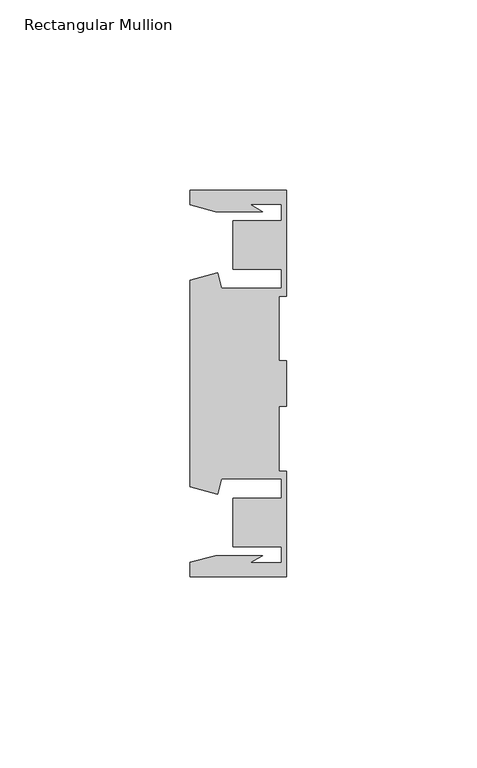
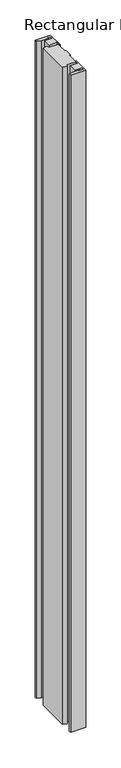
"""IFC4 building model written with IfcOpenShell, lengths in millimetres: member geometry, Rectangular Mullion."""

import ifcopenshell
import ifcopenshell.guid

model = None  # the IFC model being written
_history = None  # IfcOwnerHistory: only IFC2X3 demands one
_inside = {}  # id of a spatial element -> (the spatial element, [elements in it])
_under = {}  # id of a project, library or spatial element -> (it, [spatial elements below it])
_declared = {}  # id of a project -> (the project, [libraries it declares])
_typed = {}  # id of a type object -> (the type object, [elements of that type])
_made_of = {}  # id of a material, layer set ... -> (it, [elements and type objects made of it])


def new_model(schema):
    """Start an empty IFC model of exactly this schema.

    Asked for "IFC4X3", IfcOpenShell would pick the latest addendum, in which some entities
    have other attributes; the version numbers below select the first issue.
    IFC2X3 requires an IfcOwnerHistory on every rooted entity: one is made here for all.
    """
    global model, _history
    if schema == "IFC4X3":
        model = ifcopenshell.file(schema_version=(4, 3, 0, 0))
    else:
        model = ifcopenshell.file(schema=schema)
    _inside.clear()
    _under.clear()
    _declared.clear()
    _typed.clear()
    _made_of.clear()
    _history = None
    if model.schema == "IFC2X3":
        org = make("IfcOrganization", Name="unknown")
        user = make(
            "IfcPersonAndOrganization",
            ThePerson=make("IfcPerson", FamilyName="unknown"),
            TheOrganization=org,
        )
        app = make(
            "IfcApplication",
            ApplicationDeveloper=org,
            Version="unknown",
            ApplicationFullName="unknown",
            ApplicationIdentifier="unknown",
        )
        _history = make(
            "IfcOwnerHistory",
            OwningUser=user,
            OwningApplication=app,
            ChangeAction="ADDED",
            CreationDate=0,
        )
    return model


def make(cls, **values):
    """One entity of the class cls with the attributes given. An attribute that is None is left unset."""
    return model.create_entity(
        cls, **{name: value for name, value in values.items() if value is not None}
    )


def rooted(cls, **values):
    """An entity with a GlobalId (a new one), such as an element, a storey or a relation."""
    return make(cls, GlobalId=ifcopenshell.guid.new(), OwnerHistory=_history, **values)


def si_unit(unit_type, name, prefix=None):
    """IfcSIUnit, for example si_unit("LENGTHUNIT", "METRE", prefix="MILLI")."""
    return make("IfcSIUnit", UnitType=unit_type, Prefix=prefix, Name=name)


def assignment(units):
    """IfcUnitAssignment: the units of a project."""
    return None if units is None else make("IfcUnitAssignment", Units=units)


def point(xyz):
    """IfcCartesianPoint."""
    return None if xyz is None else make("IfcCartesianPoint", Coordinates=xyz)


def direction(xyz):
    """IfcDirection."""
    return None if xyz is None else make("IfcDirection", DirectionRatios=xyz)


def frame(location, z_axis=None, x_axis=None):
    """IfcAxis2Placement3D, a coordinate frame: its origin and axes. An axis left out is left unset."""
    return make(
        "IfcAxis2Placement3D",
        Location=point(location),
        Axis=direction(z_axis),
        RefDirection=direction(x_axis),
    )


def origin():
    """The frame at (0, 0, 0) with its axes left unset."""
    return frame((0.0, 0.0, 0.0))


def place(relative_to, where):
    """IfcLocalPlacement: puts the frame where relative to a parent placement (None: the world)."""
    return make(
        "IfcLocalPlacement", PlacementRelTo=relative_to, RelativePlacement=where
    )


def context(
    kind, dimensions, precision=None, world=None, true_north=None, identifier=None
):
    """IfcGeometricRepresentationContext, for example the 3D "Model" context."""
    return make(
        "IfcGeometricRepresentationContext",
        ContextIdentifier=identifier,
        ContextType=kind,
        CoordinateSpaceDimension=dimensions,
        Precision=precision,
        WorldCoordinateSystem=world,
        TrueNorth=true_north,
    )


def project(units=None, contexts=None):
    """IfcProject with its units and contexts."""
    return rooted(
        "IfcProject",
        Name="project",
        RepresentationContexts=contexts,
        UnitsInContext=assignment(units),
    )


def spatial(cls, under=None, at=None, **own):
    """A site, building, storey or space (cls), placed at a placement, below another one or the project."""
    s = rooted(cls, ObjectPlacement=at, **own)
    if under is not None:
        _under.setdefault(under.id(), (under, []))[1].append(s)
    return s


def polyline(points):
    """IfcPolyline through the points."""
    return make("IfcPolyline", Points=[point(p) for p in points])


def outline(outer, holes=None, kind="AREA"):
    """IfcArbitraryClosedProfileDef: a profile drawn as a closed curve; with holes, ...WithVoids."""
    if holes is None:
        return make("IfcArbitraryClosedProfileDef", ProfileType=kind, OuterCurve=outer)
    return make(
        "IfcArbitraryProfileDefWithVoids",
        ProfileType=kind,
        OuterCurve=outer,
        InnerCurves=holes,
    )


def extrude(swept, where, along, depth):
    """IfcExtrudedAreaSolid: the profile swept, set in the frame where, extruded along a direction by depth."""
    return make(
        "IfcExtrudedAreaSolid",
        SweptArea=swept,
        Position=where,
        ExtrudedDirection=direction(along),
        Depth=depth,
    )


def shape(context_of_items, identifier, shape_type, items):
    """IfcShapeRepresentation: the items that make up one representation, for example the "Body"."""
    return make(
        "IfcShapeRepresentation",
        ContextOfItems=context_of_items,
        RepresentationIdentifier=identifier,
        RepresentationType=shape_type,
        Items=items,
    )


def source(mapping_origin, context_of_items, identifier, shape_type, items):
    """IfcRepresentationMap: a shape defined once, which mapped items show again and again."""
    return make(
        "IfcRepresentationMap",
        MappingOrigin=mapping_origin,
        MappedRepresentation=shape(context_of_items, identifier, shape_type, items),
    )


def transform(
    local_origin,
    x_axis=None,
    y_axis=None,
    z_axis=None,
    scale=None,
    scale2=None,
    scale3=None,
    uniform=True,
):
    """IfcCartesianTransformationOperator3D, or its non-uniform kind. x_axis, y_axis, z_axis: its Axis1, 2, 3."""
    if uniform:
        return make(
            "IfcCartesianTransformationOperator3D",
            Axis1=direction(x_axis),
            Axis2=direction(y_axis),
            LocalOrigin=point(local_origin),
            Scale=scale,
            Axis3=direction(z_axis),
        )
    return make(
        "IfcCartesianTransformationOperator3DnonUniform",
        Axis1=direction(x_axis),
        Axis2=direction(y_axis),
        LocalOrigin=point(local_origin),
        Scale=scale,
        Axis3=direction(z_axis),
        Scale2=scale2,
        Scale3=scale3,
    )


def mapped(mapping_source, mapping_target):
    """IfcMappedItem: shows the shape of a source again, moved by a transform."""
    return make(
        "IfcMappedItem", MappingSource=mapping_source, MappingTarget=mapping_target
    )


def made_of(thing, what):
    """Note that an element or type object is made of a material, layer set ...; save() writes the relation."""
    if what is not None:
        _made_of.setdefault(what.id(), (what, []))[1].append(thing)
    return thing


def element(
    cls,
    number,
    at=None,
    inside=None,
    cuts=None,
    type_object=None,
    material=None,
    context=None,
    identifier="Body",
    shape_type=None,
    held_by="IfcProductDefinitionShape",
    body=None,
    shapes=None,
    **own,
):
    """One element of the class cls, such as IfcWall. Its Tag is "e" and its number.

    at: its placement. inside: the storey or other place that contains it. cuts: it is an
    opening in that element (IfcRelVoidsElement). A single representation is given by context,
    identifier, shape_type and body (its items); several are given by shapes. held_by: the class
    of the entity that holds the representations. save() writes the other relations.
    """
    e = rooted(cls, Tag="e%d" % number, ObjectPlacement=at, **own)
    if body is not None:
        shapes = [shape(context, identifier, shape_type, body)]
    if shapes is not None:
        e.Representation = make(held_by, Representations=shapes)
    if inside is not None:
        _inside.setdefault(inside.id(), (inside, []))[1].append(e)
    if cuts is not None:
        rooted(
            "IfcRelVoidsElement", RelatingBuildingElement=cuts, RelatedOpeningElement=e
        )
    if type_object is not None:
        _typed.setdefault(type_object.id(), (type_object, []))[1].append(e)
    return made_of(e, material)


def aggregate(whole, parts):
    """IfcRelAggregates: a whole, such as a stair, and the parts it consists of."""
    return rooted("IfcRelAggregates", RelatingObject=whole, RelatedObjects=parts)


def save(model, path):
    """Write the relations noted so far, then the file.

    IfcRelAggregates (storeys below a building ...), IfcRelContainedInSpatialStructure (elements
    in a storey), IfcRelDefinesByType, IfcRelAssociatesMaterial and IfcRelDeclares: one each for
    every whole, place, type object, material and project.
    """
    for whole, parts in _under.values():
        aggregate(whole, parts)
    for where, things in _inside.values():
        rooted(
            "IfcRelContainedInSpatialStructure",
            RelatedElements=things,
            RelatingStructure=where,
        )
    for kind, things in _typed.values():
        rooted("IfcRelDefinesByType", RelatedObjects=things, RelatingType=kind)
    for what, things in _made_of.values():
        rooted("IfcRelAssociatesMaterial", RelatedObjects=things, RelatingMaterial=what)
    for by, libraries in _declared.values():
        rooted("IfcRelDeclares", RelatingContext=by, RelatedDefinitions=libraries)
    model.write(path)


def rectangular_mullion_26dba348(model_context):
    return source(origin(), model_context, "Body", "SweptSolid", [
        extrude(outline(polyline([(-25.4, 50.7724622), (0.0, 50.7724622), (0.0, 22.9708072), (-2.0000011, 22.9708072), (-2.0000011, 5.9770032), (0.0, 5.9770032), (0.0, -6.0230032), (-2.0000011, -6.0230032), (-2.0000011, -23.0168072), (0.0, -23.0168072), (0.0, -50.8184622), (-25.4, -50.8184622), (-25.4, -47.0228463), (-18.7113002, -45.2306146), (-6.3834869, -45.2306146), (-9.7005662, -47.1457313), (-1.4138425, -47.1457313), (-1.4138425, -42.8358906), (-14.1138425, -42.8358906), (-14.1138425, -30.1358906), (-1.4138425, -30.1358906), (-1.4138425, -25.0350132), (-17.1094033, -25.0350132), (-18.2017212, -29.1115993), (-25.4, -27.1828263), (-25.4, 27.1368263), (-18.2017212, 29.0655993), (-17.1094033, 24.9890132), (-1.4138425, 24.9890132), (-1.4138425, 30.0898906), (-14.1138425, 30.0898906), (-14.1138425, 42.7898906), (-1.4138425, 42.7898906), (-1.4138425, 47.0997313), (-9.7005662, 47.0997313), (-6.3834869, 45.1846146), (-18.7113002, 45.1846146), (-25.4, 46.9768463), (-25.4, 50.7724622)])), frame((0.0, 0.0, -1146.7702905), z_axis=(0.0, 0.0, 1.0), x_axis=(1.0, 0.0, 0.0)), (0.0, 0.0, 1.0), 1146.7702905),
    ])


if __name__ == "__main__":
    model = new_model("IFC4")
    model_context = context("Model", 3, world=origin())
    ifc_project = project(units=[si_unit("LENGTHUNIT", "METRE", prefix="MILLI")], contexts=[model_context])
    site = spatial("IfcSite", under=ifc_project)
    building = spatial("IfcBuilding", under=site)
    placement = place(None, origin())
    rectangular_mullion_shape = rectangular_mullion_26dba348(model_context)
    element("IfcMember", 1, ObjectType="Rectangular Mullion", at=placement, inside=building, context=model_context, shape_type="MappedRepresentation", body=[
        mapped(rectangular_mullion_shape, transform((0.0, 0.0, 0.0), x_axis=(1.0, 0.0, 0.0), y_axis=(0.0, 1.0, 0.0), z_axis=(0.0, 0.0, 1.0))),
    ])
    save(model, "model.ifc")
